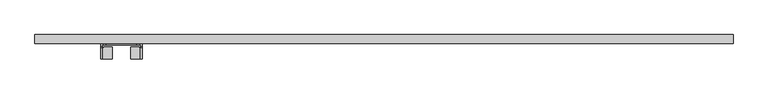
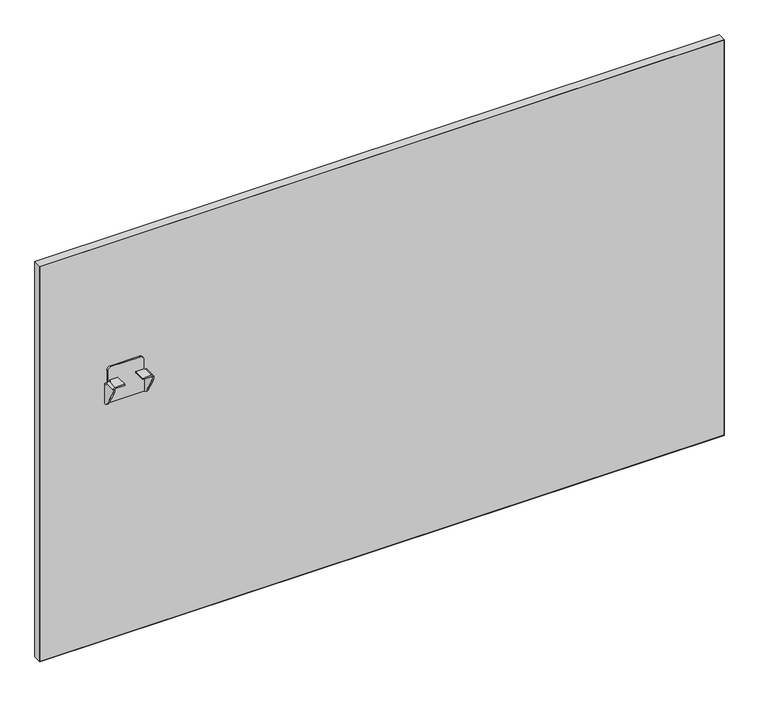
"""IFC4 building model written with IfcOpenShell, lengths in millimetres: furniture geometry."""

from ifc_helpers import new_model, si_unit, frame, origin, place, context, project, spatial, polyline, circle_curve, outline, extrude, source, transform, mapped, element, save
from ifc_brep_helpers import plane_surface, cylinder_surface, revolved_surface, advanced_brep


def furniture_89d67ea4(model_context):
    return source(origin(), model_context, "Body", "SolidModel", [
        advanced_brep(
        [(149.0521938, 1.06716, 620.0380983), (149.0521938, 4.1049999, 620.0380983), (144.0521992, 4.1049999, 620.0380983), (144.0521992, -1.6875933, 620.0380983), (147.0900316, -1.6875933, 620.0380983), (147.0900316, 1.06716, 620.0380983), (229.0522071, 4.1049999, 620.0380983), (229.0522071, 1.06716, 620.0380983), (231.0143693, 1.06716, 620.0380983), (231.0143693, -1.6875933, 620.0380983), (234.0522017, -1.6875933, 620.0380983), (234.0522017, 4.1049999, 620.0380983), (229.052189, 4.1049999, 649.8381144), (229.052189, 1.06716, 649.8381144), (222.0521984, 4.1049999, 656.838105), (222.0521984, 1.06716, 656.838105), (156.0522026, 4.1049999, 656.838105), (156.0522026, 1.06716, 656.838105), (149.0521938, 4.1049999, 649.8380962), (149.0521938, 1.06716, 649.8380962), (169.0521994, -29.5203411, 626.5001312), (169.0521994, -29.5203411, 629.5379545), (148.4947233, -29.5203411, 629.5379545), (144.0521992, -29.5203411, 625.0954304), (144.0521992, -29.5203411, 624.6295199), (147.0900316, -29.5203411, 624.6295199), (147.0900316, -29.5203411, 625.0357436), (148.5544192, -29.5203411, 626.5001312), (209.0522015, -29.5203411, 626.5001312), (229.5499817, -29.5203411, 626.5001312), (231.0143693, -29.5203411, 625.0357436), (231.0143693, -29.5203411, 624.6295199), (234.0522017, -29.5203411, 624.6295199), (234.0522017, -29.5203411, 625.0954304), (229.6096776, -29.5203411, 629.5379545), (209.0522015, -29.5203411, 629.5379545), (234.0522017, 4.1049999, 573.0381329), (144.0521992, 4.1049999, 573.0381329), (169.0521994, -4.3999769, 626.5001312), (169.0521994, -4.3999769, 629.5379545), (168.1725625, -3.5203401, 629.5379545), (151.2898165, -3.5203401, 629.5379545), (150.5521931, -4.2579635, 629.5379545), (150.5521931, -5.4397153, 629.5379545), (149.9715682, -6.0203402, 629.5379545), (148.4947233, -6.0203402, 629.5379545), (144.0521992, -6.0203402, 625.0954304), (144.0521992, -6.0203402, 624.3708452), (144.0521992, 0.8823599, 573.0381329), (144.0521992, -5.9290326, 577.9183582), (144.0521992, -25.8702399, 611.375914), (147.0900316, 0.8823599, 573.0381329), (234.0522017, 0.8823599, 573.0381329), (231.0143693, 0.8823599, 573.0381329), (231.0143693, 1.06716, 573.0381329), (147.0900316, 1.06716, 573.0381329), (147.0900316, -25.8702399, 611.375914), (147.0900316, -5.9290326, 577.9183582), (147.0900316, -6.0203402, 624.3708452), (147.0900316, -6.0203402, 625.0357436), (148.5544192, -6.0203402, 626.5001312), (149.9715682, -6.0203402, 626.5001312), (150.5521931, -5.4397153, 626.5001312), (150.5521931, -4.2579635, 626.5001312), (151.2898165, -3.5203401, 626.5001312), (168.1725625, -3.5203401, 626.5001312), (209.0522015, -4.3999769, 626.5001312), (209.9318384, -3.5203401, 626.5001312), (226.8145845, -3.5203401, 626.5001312), (227.5522079, -4.2579635, 626.5001312), (227.5522079, -5.4397153, 626.5001312), (228.1328327, -6.0203402, 626.5001312), (229.5499817, -6.0203402, 626.5001312), (231.0143693, -6.0203402, 625.0357436), (231.0143693, -6.0203402, 624.3708452), (231.0143693, -5.9290326, 577.9183582), (231.0143693, -25.8702399, 611.375914), (234.0522017, -25.8702399, 611.375914), (234.0522017, -5.9290326, 577.9183582), (234.0522017, -6.0203402, 624.3708452), (234.0522017, -6.0203402, 625.0954304), (229.6096776, -6.0203402, 629.5379545), (228.1328327, -6.0203402, 629.5379545), (227.5522079, -5.4397153, 629.5379545), (227.5522079, -4.2579635, 629.5379545), (226.8145845, -3.5203401, 629.5379545), (209.9318384, -3.5203401, 629.5379545), (209.0522015, -4.3999769, 629.5379545)],
        [
            (0, 1),
            (1, 2),
            (2, 3),
            (3, 4),
            (4, 5),
            (5, 0),
            (6, 7),
            (7, 8),
            (8, 9),
            (9, 10),
            (10, 11),
            (11, 6),
            (12, 13),
            (13, 7),
            (6, 12),
            (12, 14, circle_curve(frame((222.0521984, 4.1049999, 649.8381144), z_axis=(0.0, -1.0, 0.0), x_axis=(1.0, 0.0, 0.0)), 6.9999906)),
            (14, 15),
            (15, 13, circle_curve(frame((222.0521984, 1.06716, 649.8381144), z_axis=(0.0, 1.0, 0.0), x_axis=(1.0, 0.0, 0.0)), 6.9999906)),
            (14, 16),
            (16, 17),
            (17, 15),
            (16, 18, circle_curve(frame((156.0522026, 4.1049999, 649.8380962), z_axis=(0.0, -1.0, 0.0), x_axis=(1.0, 0.0, 0.0)), 7.0000088)),
            (18, 19),
            (19, 17, circle_curve(frame((156.0522026, 1.06716, 649.8380962), z_axis=(0.0, 1.0, 0.0), x_axis=(1.0, 0.0, 0.0)), 7.0000088)),
            (18, 1),
            (0, 19),
            (20, 21),
            (21, 22),
            (22, 23, circle_curve(frame((148.4947233, -29.5203411, 625.0954304), z_axis=(0.0, -1.0, 0.0), x_axis=(1.0, 0.0, 0.0)), 4.4425241)),
            (23, 24),
            (24, 25),
            (25, 26),
            (26, 27, circle_curve(frame((148.5544192, -29.5203411, 625.0357436), z_axis=(0.0, 1.0, 0.0), x_axis=(1.0, 0.0, 0.0)), 1.4643876)),
            (27, 20),
            (28, 29),
            (29, 30, circle_curve(frame((229.5499817, -29.5203411, 625.0357436), z_axis=(0.0, 1.0, 0.0), x_axis=(-1.0, 0.0, 0.0)), 1.4643876)),
            (30, 31),
            (31, 32),
            (32, 33),
            (33, 34, circle_curve(frame((229.6096776, -29.5203411, 625.0954304), z_axis=(0.0, -1.0, 0.0), x_axis=(-1.0, 0.0, 0.0)), 4.4425241)),
            (34, 35),
            (35, 28),
            (11, 36),
            (36, 37),
            (37, 2),
            (20, 38),
            (38, 39),
            (39, 21),
            (39, 40, circle_curve(frame((168.1725625, -4.3999769, 629.5379545), z_axis=(0.0, 0.0, 1.0), x_axis=(1.0, 0.0, 0.0)), 0.8796369)),
            (40, 41),
            (41, 42, circle_curve(frame((151.2898165, -4.2579635, 629.5379545), z_axis=(0.0, 0.0, 1.0), x_axis=(1.0, 0.0, 0.0)), 0.7376234)),
            (42, 43),
            (43, 44, circle_curve(frame((149.9715682, -5.4397153, 629.5379545), z_axis=(0.0, 0.0, -1.0), x_axis=(1.0, 0.0, 0.0)), 0.5806249)),
            (44, 45),
            (45, 22),
            (45, 46, circle_curve(frame((148.4947233, -6.0203402, 625.0954304), z_axis=(0.0, -1.0, 0.0), x_axis=(1.0, 0.0, 0.0)), 4.4425241)),
            (46, 23),
            (46, 47),
            (47, 3, circle_curve(frame((144.0521992, -1.6875933, 624.3708452), z_axis=(1.0, 0.0, 0.0), x_axis=(0.0, -1.0, 0.0)), 4.3327469)),
            (37, 48),
            (48, 49, circle_curve(frame((144.0521992, 3.066225, 583.2796673), z_axis=(-1.0, 0.0, 0.0), x_axis=(0.0, -1.0, 0.0)), 10.4717856)),
            (49, 50),
            (50, 24, circle_curve(frame((144.0521992, -3.6332082, 624.6295199), z_axis=(-1.0, 0.0, 0.0), x_axis=(0.0, -1.0, 0.0)), 25.8871329)),
            (51, 48),
            (36, 52),
            (52, 53),
            (53, 54),
            (54, 55),
            (55, 51),
            (25, 56, circle_curve(frame((147.0900316, -3.6332082, 624.6295199), z_axis=(1.0, 0.0, 0.0), x_axis=(0.0, -1.0, 0.0)), 25.8871329)),
            (56, 57),
            (57, 51, circle_curve(frame((147.0900316, 3.066225, 583.2796673), z_axis=(1.0, 0.0, 0.0), x_axis=(0.0, -1.0, 0.0)), 10.4717856)),
            (55, 5),
            (4, 58, circle_curve(frame((147.0900316, -1.6875933, 624.3708452), z_axis=(-1.0, 0.0, 0.0), x_axis=(0.0, -1.0, 0.0)), 4.3327469)),
            (58, 59),
            (59, 26),
            (59, 60, circle_curve(frame((148.5544192, -6.0203402, 625.0357436), z_axis=(0.0, 1.0, 0.0), x_axis=(1.0, 0.0, 0.0)), 1.4643876)),
            (60, 27),
            (60, 61),
            (61, 62, circle_curve(frame((149.9715682, -5.4397153, 626.5001312), z_axis=(0.0, 0.0, 1.0), x_axis=(1.0, 0.0, 0.0)), 0.5806249)),
            (62, 63),
            (63, 64, circle_curve(frame((151.2898165, -4.2579635, 626.5001312), z_axis=(0.0, 0.0, -1.0), x_axis=(1.0, 0.0, 0.0)), 0.7376234)),
            (64, 65),
            (65, 38, circle_curve(frame((168.1725625, -4.3999769, 626.5001312), z_axis=(0.0, 0.0, -1.0), x_axis=(1.0, 0.0, 0.0)), 0.8796369)),
            (28, 66),
            (66, 67, circle_curve(frame((209.9318384, -4.3999769, 626.5001312), z_axis=(0.0, 0.0, -1.0), x_axis=(-1.0, 0.0, 0.0)), 0.8796369)),
            (67, 68),
            (68, 69, circle_curve(frame((226.8145845, -4.2579635, 626.5001312), z_axis=(0.0, 0.0, -1.0), x_axis=(-1.0, 0.0, 0.0)), 0.7376234)),
            (69, 70),
            (70, 71, circle_curve(frame((228.1328327, -5.4397153, 626.5001312), z_axis=(0.0, 0.0, 1.0), x_axis=(-1.0, 0.0, 0.0)), 0.5806249)),
            (71, 72),
            (72, 29),
            (72, 73, circle_curve(frame((229.5499817, -6.0203402, 625.0357436), z_axis=(0.0, 1.0, 0.0), x_axis=(-1.0, 0.0, 0.0)), 1.4643876)),
            (73, 30),
            (73, 74),
            (74, 9, circle_curve(frame((231.0143693, -1.6875933, 624.3708452), z_axis=(1.0, 0.0, 0.0), x_axis=(0.0, -1.0, 0.0)), 4.3327469)),
            (8, 54),
            (53, 75, circle_curve(frame((231.0143693, 3.066225, 583.2796673), z_axis=(-1.0, 0.0, 0.0), x_axis=(0.0, -1.0, 0.0)), 10.4717856)),
            (75, 76),
            (76, 31, circle_curve(frame((231.0143693, -3.6332082, 624.6295199), z_axis=(-1.0, 0.0, 0.0), x_axis=(0.0, -1.0, 0.0)), 25.8871329)),
            (32, 77, circle_curve(frame((234.0522017, -3.6332082, 624.6295199), z_axis=(1.0, 0.0, 0.0), x_axis=(0.0, -1.0, 0.0)), 25.8871329)),
            (77, 78),
            (78, 52, circle_curve(frame((234.0522017, 3.066225, 583.2796673), z_axis=(1.0, 0.0, 0.0), x_axis=(0.0, -1.0, 0.0)), 10.4717856)),
            (10, 79, circle_curve(frame((234.0522017, -1.6875933, 624.3708452), z_axis=(-1.0, 0.0, 0.0), x_axis=(0.0, -1.0, 0.0)), 4.3327469)),
            (79, 80),
            (80, 33),
            (80, 81, circle_curve(frame((229.6096776, -6.0203402, 625.0954304), z_axis=(0.0, -1.0, 0.0), x_axis=(-1.0, 0.0, 0.0)), 4.4425241)),
            (81, 34),
            (81, 82),
            (82, 83, circle_curve(frame((228.1328327, -5.4397153, 629.5379545), z_axis=(0.0, 0.0, -1.0), x_axis=(-1.0, 0.0, 0.0)), 0.5806249)),
            (83, 84),
            (84, 85, circle_curve(frame((226.8145845, -4.2579635, 629.5379545), z_axis=(0.0, 0.0, 1.0), x_axis=(-1.0, 0.0, 0.0)), 0.7376234)),
            (85, 86),
            (86, 87, circle_curve(frame((209.9318384, -4.3999769, 629.5379545), z_axis=(0.0, 0.0, 1.0), x_axis=(-1.0, 0.0, 0.0)), 0.8796369)),
            (87, 35),
            (87, 66),
            (49, 57),
            (56, 50),
            (75, 78),
            (77, 76),
            (47, 58),
            (74, 79),
            (64, 41),
            (40, 65),
            (44, 61),
            (43, 62),
            (42, 63),
            (68, 85),
            (84, 69),
            (83, 70),
            (82, 71),
            (86, 67),
        ],
        [
            plane_surface(frame((147.8704256, 1.06716, 620.0380983), z_axis=(0.0, 0.0, 1.0), x_axis=(0.0, 1.0, 0.0))),
            plane_surface(frame((234.0522017, 1.06716, 620.0380983), z_axis=(0.0, 0.0, 1.0), x_axis=(0.0, 1.0, 0.0))),
            plane_surface(frame((229.052189, 1.06716, 621.2198666), z_axis=(1.0, 0.0, 0.0), x_axis=(0.0, 1.0, 0.0))),
            cylinder_surface(frame((222.0521984, 4.1049999, 649.8381144), z_axis=(0.0, -1.0, 0.0), x_axis=(1.0, 0.0, 0.0)), 6.9999906),
            plane_surface(frame((222.0521984, 1.06716, 656.838105), z_axis=(0.0, 0.0, 1.0), x_axis=(0.0, 1.0, 0.0))),
            cylinder_surface(frame((156.0522026, 4.1049999, 649.8380962), z_axis=(0.0, -1.0, 0.0), x_axis=(1.0, 0.0, 0.0)), 7.0000088),
            plane_surface(frame((149.0521938, 1.06716, 649.8380962), z_axis=(-1.0, 0.0, 0.0), x_axis=(0.0, 1.0, 0.0))),
            plane_surface(frame((169.0521994, -29.5203411, 629.5379545), z_axis=(0.0, -1.0, 0.0), x_axis=(0.0, 0.0, 1.0))),
            plane_surface(frame((169.0521994, 4.1049999, 629.5379545), z_axis=(0.0, 1.0, 0.0), x_axis=(0.0, 0.0, -1.0))),
            plane_surface(frame((169.0521994, -29.5203411, 626.5001312), z_axis=(1.0, 0.0, 0.0), x_axis=(0.0, 1.0, 0.0))),
            plane_surface(frame((169.0521994, -29.5203411, 629.5379545), z_axis=(0.0, 0.0, 1.0), x_axis=(0.0, 1.0, 0.0))),
            cylinder_surface(frame((148.4947233, 4.1049999, 625.0954304), z_axis=(0.0, -1.0, 0.0), x_axis=(1.0, 0.0, 0.0)), 4.4425241),
            plane_surface(frame((144.0521992, -29.5203411, 625.0954304), z_axis=(-1.0, 0.0, 0.0), x_axis=(0.0, 1.0, 0.0))),
            plane_surface(frame((144.0521992, -29.5203411, 573.0381329), z_axis=(0.0, 0.0, -1.0), x_axis=(0.0, 1.0, 0.0))),
            plane_surface(frame((147.0900316, -29.5203411, 573.0381329), z_axis=(1.0, 0.0, 0.0), x_axis=(0.0, 1.0, 0.0))),
            revolved_surface(polyline([(150.01880680000002, -6.020340199999999, 625.0357436), (150.01880680000002, -29.5203411, 625.0357436)]), (148.5544192, 4.1049999, 625.0357436), (0.0, 1.0, 0.0)),
            plane_surface(frame((148.5544192, -29.5203411, 626.5001312), z_axis=(0.0, 0.0, -1.0), x_axis=(0.0, 1.0, 0.0))),
            plane_surface(frame((209.0522015, -29.5203411, 626.5001312), z_axis=(0.0, 0.0, -1.0), x_axis=(0.0, 1.0, 0.0))),
            revolved_surface(polyline([(228.08559409999998, -6.0203402, 625.0357436), (228.08559409999998, -29.5203411, 625.0357436)]), (229.5499817, 0.0, 625.0357436), (0.0, 1.0, 0.0)),
            plane_surface(frame((231.0143693, -29.5203411, 625.0357436), z_axis=(-1.0, 0.0, 0.0), x_axis=(0.0, 1.0, 0.0))),
            plane_surface(frame((234.0522017, -29.5203411, 573.0381329), z_axis=(1.0, 0.0, 0.0), x_axis=(0.0, 1.0, 0.0))),
            cylinder_surface(frame((229.6096776, 0.0, 625.0954304), z_axis=(0.0, -1.0, 0.0), x_axis=(-1.0, 0.0, 0.0)), 4.4425241),
            plane_surface(frame((229.6096776, -29.5203411, 629.5379545), z_axis=(0.0, 0.0, 1.0), x_axis=(0.0, 1.0, 0.0))),
            plane_surface(frame((209.0522015, -29.5203411, 629.5379545), z_axis=(-1.0, 0.0, 0.0), x_axis=(0.0, 1.0, 0.0))),
            plane_surface(frame((236.585753, -5.9290326, 577.9183582), z_axis=(0.0, -0.8589994037788274, -0.5119765857025291), x_axis=(-1.0, 0.0, 0.0))),
            cylinder_surface(frame((141.8424723, -3.6332082, 624.6295199), z_axis=(-1.0, 0.0, 0.0), x_axis=(0.0, -1.0, 0.0)), 25.8871329),
            cylinder_surface(frame((141.8424723, 3.066225, 583.2796673), z_axis=(-1.0, 0.0, 0.0), x_axis=(0.0, -1.0, 0.0)), 10.4717856),
            revolved_surface(polyline([(147.0900316, -6.0203402, 624.3708452), (144.0521992, -6.0203402, 624.3708452)]), (141.8424723, -1.6875933, 624.3708452), (1.0, 0.0, 0.0)),
            revolved_surface(polyline([(231.0143693, -6.0203402, 624.3708452), (234.0522017, -6.0203402, 624.3708452)]), (236.2619286, -1.6875933, 624.3708452), (-1.0, 0.0, 0.0)),
            plane_surface(frame((151.2898165, -3.5203401, 663.2138968), z_axis=(0.0, 1.0, 0.0), x_axis=(0.0, 0.0, -1.0))),
            cylinder_surface(frame((168.1725625, -4.3999769, 560.9501359), z_axis=(0.0, 0.0, -1.0), x_axis=(1.0, 0.0, 0.0)), 0.8796369),
            plane_surface(frame((169.0521994, 1.06716, 663.2138968), z_axis=(0.0, -1.0, 0.0), x_axis=(0.0, 0.0, -1.0))),
            plane_surface(frame((149.0521938, -6.0203402, 663.2138968), z_axis=(0.0, 1.0, 0.0), x_axis=(0.0, 0.0, -1.0))),
            revolved_surface(polyline([(150.5521931, -5.4397153, 629.5379545), (150.5521931, -5.4397153, 626.5001312)]), (149.9715682, -5.4397153, 560.9501359), (0.0, 0.0, 1.0)),
            plane_surface(frame((150.5521931, -5.4397153, 663.2138968), z_axis=(-1.0, 0.0, 0.0), x_axis=(0.0, 0.0, -1.0))),
            cylinder_surface(frame((151.2898165, -4.2579635, 560.9501359), z_axis=(0.0, 0.0, -1.0), x_axis=(1.0, 0.0, 0.0)), 0.7376234),
            cylinder_surface(frame((226.8145845, -4.2579635, 48.3485614), z_axis=(0.0, 0.0, -1.0), x_axis=(-1.0, 0.0, 0.0)), 0.7376234),
            plane_surface(frame((227.5522079, -4.2579635, 663.2138968), z_axis=(1.0, 0.0, 0.0), x_axis=(0.0, 0.0, -1.0))),
            revolved_surface(polyline([(227.5522078, -5.4397153, 629.5379545), (227.5522078, -5.4397153, 626.5001312)]), (228.1328327, -5.4397153, 48.3485614), (0.0, 0.0, 1.0)),
            plane_surface(frame((228.1328327, -6.0203402, 663.2138968), z_axis=(0.0, 1.0, 0.0), x_axis=(0.0, 0.0, -1.0))),
            cylinder_surface(frame((209.9318384, -4.3999769, 48.3485614), z_axis=(0.0, 0.0, -1.0), x_axis=(-1.0, 0.0, 0.0)), 0.8796369),
            plane_surface(frame((209.9318384, -3.5203401, 663.2138968), z_axis=(0.0, 1.0, 0.0), x_axis=(0.0, 0.0, -1.0))),
        ],
        [
            (0, [[1, 2, 3, 4, 5, 6]]),
            (1, [[7, 8, 9, 10, 11, 12]]),
            (2, [[13, 14, -7, 15]]),
            (3, [[16, 17, 18, -13]]),
            (4, [[19, 20, 21, -17]]),
            (5, [[22, 23, 24, -20]]),
            (6, [[-23, 25, -1, 26]]),
            (7, [[27, 28, 29, 30, 31, 32, 33, 34]]),
            (7, [[35, 36, 37, 38, 39, 40, 41, 42]]),
            (8, [[-22, -19, -16, -15, -12, 43, 44, 45, -2, -25]]),
            (9, [[-27, 46, 47, 48]]),
            (10, [[-28, -48, 49, 50, 51, 52, 53, 54, 55]]),
            (11, [[-29, -55, 56, 57]]),
            (12, [[-30, -57, 58, 59, -3, -45, 60, 61, 62, 63]]),
            (13, [[64, -60, -44, 65, 66, 67, 68, 69]]),
            (14, [[-32, 70, 71, 72, -69, 73, -5, 74, 75, 76]]),
            (15, [[-33, -76, 77, 78]]),
            (16, [[-34, -78, 79, 80, 81, 82, 83, 84, -46]]),
            (17, [[-35, 85, 86, 87, 88, 89, 90, 91, 92]]),
            (18, [[-36, -92, 93, 94]]),
            (19, [[-37, -94, 95, 96, -9, 97, -67, 98, 99, 100]]),
            (20, [[-39, 101, 102, 103, -65, -43, -11, 104, 105, 106]]),
            (21, [[-40, -106, 107, 108]]),
            (22, [[-41, -108, 109, 110, 111, 112, 113, 114, 115]]),
            (23, [[-42, -115, 116, -85]]),
            (24, [[117, -71, 118, -62]]),
            (24, [[119, -102, 120, -99]]),
            (25, [[-118, -70, -31, -63]]),
            (25, [[-120, -101, -38, -100]]),
            (26, [[-117, -61, -64, -72]]),
            (26, [[-119, -98, -66, -103]]),
            (27, [[121, -74, -4, -59]]),
            (28, [[122, -104, -10, -96]]),
            (29, [[123, -50, 124, -83]]),
            (30, [[-124, -49, -47, -84]]),
            (31, [[-14, -18, -21, -24, -26, -6, -73, -68, -97, -8]]),
            (32, [[125, -79, -77, -75, -121, -58, -56, -54]]),
            (33, [[-125, -53, 126, -80]]),
            (34, [[-126, -52, 127, -81]]),
            (35, [[-123, -82, -127, -51]]),
            (36, [[128, -112, 129, -88]]),
            (37, [[-129, -111, 130, -89]]),
            (38, [[-130, -110, 131, -90]]),
            (39, [[-131, -109, -107, -105, -122, -95, -93, -91]]),
            (40, [[132, -86, -116, -114]]),
            (41, [[-128, -87, -132, -113]]),
        ],
    ),
        extrude(outline(polyline([(1522.984, 4.1049999), (1.016, 4.1049999), (1.016, 23.4089999), (1522.984, 23.4089999), (1522.984, 4.1049999)])), frame((0.0, 0.0, 15.0745614), z_axis=(0.0, 0.0, 1.0), x_axis=(1.0, 0.0, 0.0)), (0.0, 0.0, 1.0), 929.894),
        extrude(outline(polyline([(945.9845614, 1524.0), (945.9845614, 0.0), (14.0585614, 0.0), (14.0585614, 1524.0), (945.9845614, 1524.0)]), holes=[polyline([(15.0745614, 1522.984), (15.0745614, 1.016), (944.9685614, 1.016), (944.9685614, 1522.984), (15.0745614, 1522.984)])]), frame((0.0, 4.1049999, 0.0), z_axis=(0.0, 1.0, 0.0), x_axis=(0.0, 0.0, 1.0)), (0.0, 0.0, 1.0), 19.304),
    ])


if __name__ == "__main__":
    model = new_model("IFC4")
    model_context = context("Model", 3, world=origin())
    ifc_project = project(units=[si_unit("LENGTHUNIT", "METRE", prefix="MILLI")], contexts=[model_context])
    site = spatial("IfcSite", under=ifc_project)
    building = spatial("IfcBuilding", under=site)
    placement = place(None, origin())
    furniture_shape = furniture_89d67ea4(model_context)
    element("IfcFurniture", 1, at=placement, inside=building, context=model_context, shape_type="MappedRepresentation", body=[
        mapped(furniture_shape, transform((0.0, 0.0, 0.0), x_axis=(1.0, 0.0, 0.0), y_axis=(0.0, 1.0, 0.0), z_axis=(0.0, 0.0, 1.0))),
    ])
    save(model, "model.ifc")
